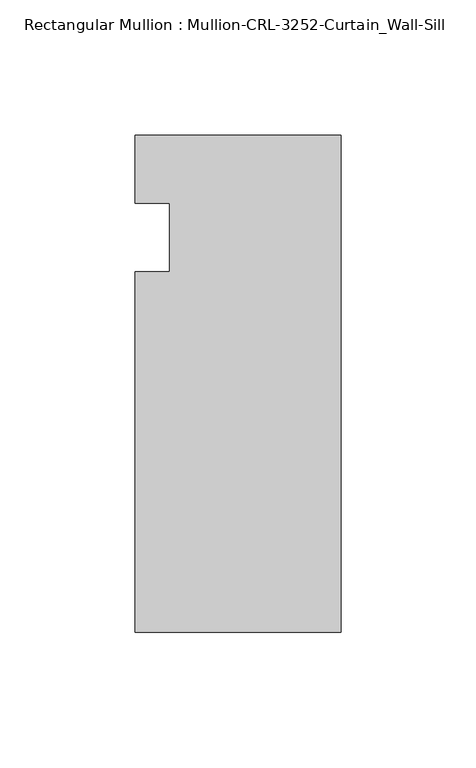
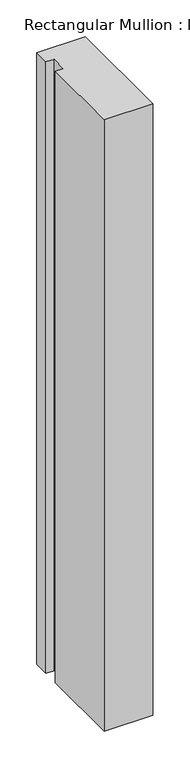
"""IFC4 building model written with IfcOpenShell, lengths in millimetres: member geometry, Rectangular Mullion : Mullion-CRL-3252-Curtain_Wall-Sill."""

from ifc_helpers import new_model, si_unit, frame, origin, place, context, project, spatial, polyline, outline, extrude, source, transform, mapped, element, save


def rectangular_mullion_mullion_crl_3252_curtain_wall_sill_ecb3a783(model_context):
    return source(origin(), model_context, "Body", "SweptSolid", [
        extrude(outline(polyline([(0.0, 37.8710195), (0.0, -146.0054758), (-76.2018563, -146.0054758), (-76.2018563, -12.7), (-63.4961173, -12.7), (-63.4961173, 12.7), (-76.2018563, 12.7), (-76.2018563, 37.8710195), (0.0, 37.8710195)])), frame((0.0, 0.0, -1015.5836137), z_axis=(0.0, 0.0, 1.0), x_axis=(1.0, 0.0, 0.0)), (0.0, 0.0, 1.0), 1015.5836137),
    ])


if __name__ == "__main__":
    model = new_model("IFC4")
    model_context = context("Model", 3, world=origin())
    ifc_project = project(units=[si_unit("LENGTHUNIT", "METRE", prefix="MILLI")], contexts=[model_context])
    site = spatial("IfcSite", under=ifc_project)
    building = spatial("IfcBuilding", under=site)
    placement = place(None, origin())
    rectangular_mullion_mullion_crl_3252_curtain_wall_sill_shape = rectangular_mullion_mullion_crl_3252_curtain_wall_sill_ecb3a783(model_context)
    element("IfcMember", 1, ObjectType="Rectangular Mullion : Mullion-CRL-3252-Curtain_Wall-Sill", at=placement, inside=building, context=model_context, shape_type="MappedRepresentation", body=[
        mapped(rectangular_mullion_mullion_crl_3252_curtain_wall_sill_shape, transform((0.0, 0.0, 0.0), x_axis=(1.0, 0.0, 0.0), y_axis=(0.0, 1.0, 0.0), z_axis=(0.0, 0.0, 1.0))),
    ])
    save(model, "model.ifc")
